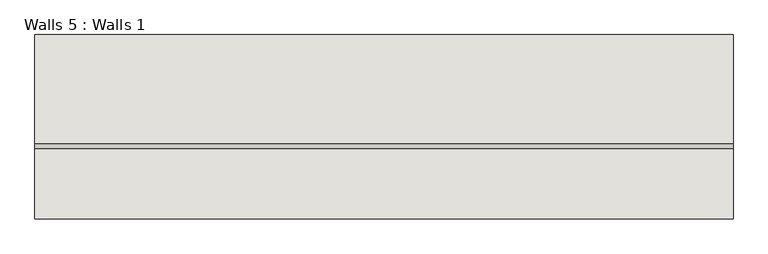
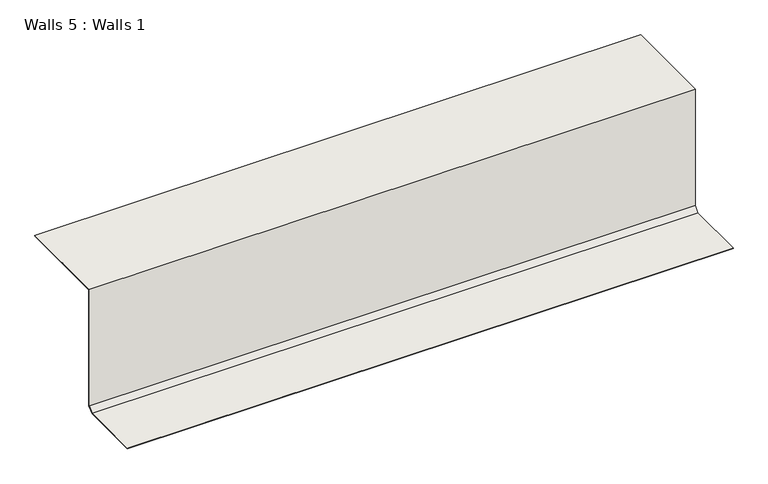
"""IFC4 building model written with IfcOpenShell, lengths in millimetres: wall geometry, Walls 5 : Walls 1."""

from ifc_helpers import new_model, si_unit, frame, origin, place, context, project, spatial, polyline, outline, extrude, source, transform, mapped, element, save


def walls_5_walls_1_6d118622(model_context):
    return source(origin(), model_context, "Body", "SweptSolid", [
        extrude(outline(polyline([(4923.6943472, 19.05), (4904.6443472, 0.0), (4686.6937916, 0.0), (4686.6937916, 3.175), (4903.3292192, 3.175), (4920.5193472, 20.3651281), (4920.5193472, 460.375), (5257.0693472, 460.375), (5257.0693472, 457.2), (4923.6943472, 457.2), (4923.6943472, 19.05)])), frame((-3151.0984529, 0.0, 0.0), z_axis=(1.0, 0.0, 0.0), x_axis=(0.0, 1.0, 0.0)), (0.0, 0.0, 1.0), 2159.0),
    ])


if __name__ == "__main__":
    model = new_model("IFC4")
    model_context = context("Model", 3, world=origin())
    ifc_project = project(units=[si_unit("LENGTHUNIT", "METRE", prefix="MILLI")], contexts=[model_context])
    site = spatial("IfcSite", under=ifc_project)
    building = spatial("IfcBuilding", under=site)
    placement = place(None, origin())
    walls_5_walls_1_shape = walls_5_walls_1_6d118622(model_context)
    element("IfcWall", 1, ObjectType="Walls 5 : Walls 1", at=placement, inside=building, context=model_context, shape_type="MappedRepresentation", body=[
        mapped(walls_5_walls_1_shape, transform((0.0, 0.0, 0.0), x_axis=(1.0, 0.0, 0.0), y_axis=(0.0, 1.0, 0.0), z_axis=(0.0, 0.0, 1.0))),
    ])
    save(model, "model.ifc")
